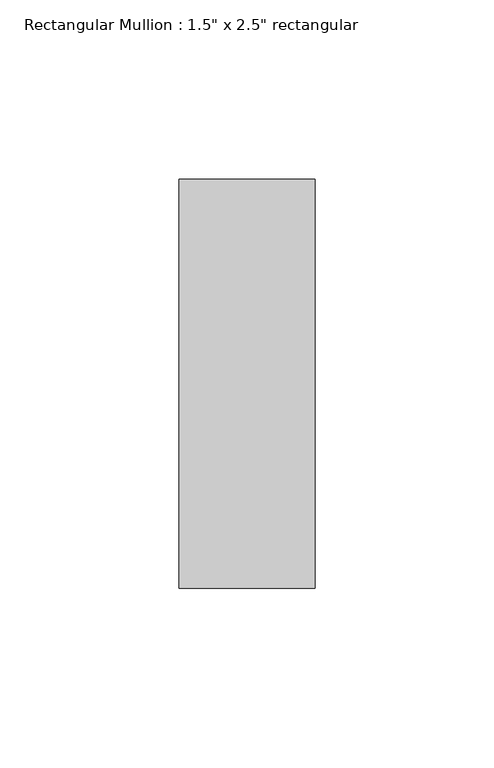
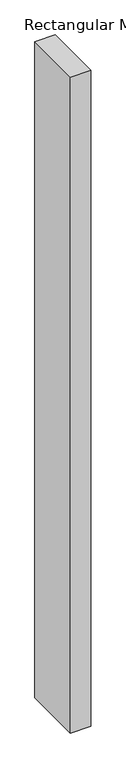
"""IFC4 building model written with IfcOpenShell, lengths in millimetres: member geometry."""

from ifc_helpers import new_model, si_unit, frame, origin, place, context, project, spatial, polyline, outline, extrude, source, transform, mapped, element, save


def member_9c70d0ae(model_context):
    return source(origin(), model_context, "Body", "SweptSolid", [
        extrude(outline(polyline([(0.0, 57.15), (0.0, -57.15), (-38.1, -57.15), (-38.1, 57.15), (0.0, 57.15)])), frame((0.0, 0.0, -1287.4625), z_axis=(0.0, 0.0, 1.0), x_axis=(1.0, 0.0, 0.0)), (0.0, 0.0, 1.0), 1287.4625),
    ])


if __name__ == "__main__":
    model = new_model("IFC4")
    model_context = context("Model", 3, world=origin())
    ifc_project = project(units=[si_unit("LENGTHUNIT", "METRE", prefix="MILLI")], contexts=[model_context])
    site = spatial("IfcSite", under=ifc_project)
    building = spatial("IfcBuilding", under=site)
    placement = place(None, origin())
    member_shape = member_9c70d0ae(model_context)
    element("IfcMember", 1, ObjectType="Rectangular Mullion : 1.5\" x 2.5\" rectangular", at=placement, inside=building, context=model_context, shape_type="MappedRepresentation", body=[
        mapped(member_shape, transform((0.0, 0.0, 0.0), x_axis=(1.0, 0.0, 0.0), y_axis=(0.0, 1.0, 0.0), z_axis=(0.0, 0.0, 1.0))),
    ])
    save(model, "model.ifc")
